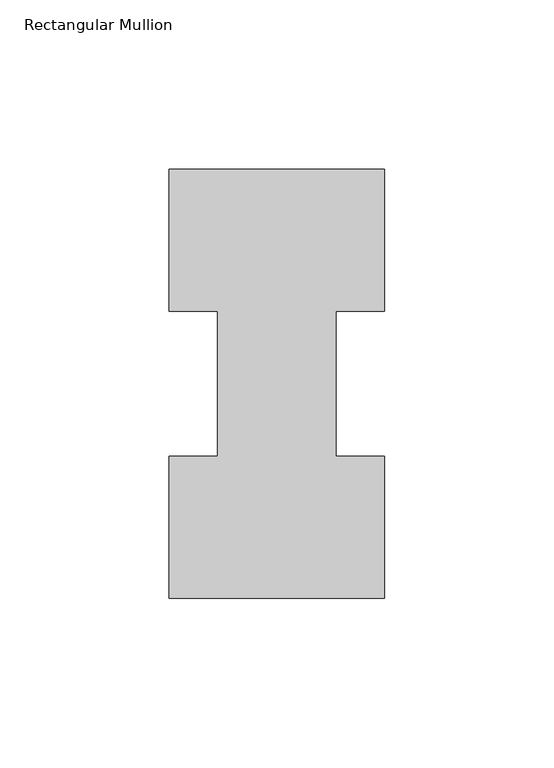
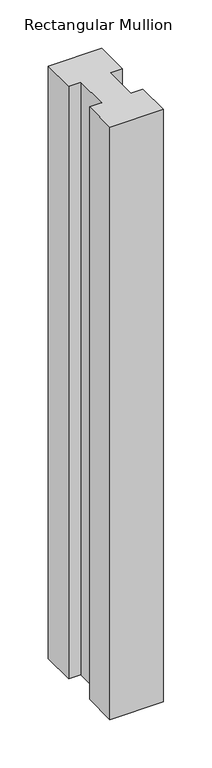
"""IFC4 building model written with IfcOpenShell, lengths in millimetres: member geometry, Rectangular Mullion."""

from ifc_helpers import new_model, si_unit, frame, origin, place, context, project, spatial, polyline, outline, extrude, source, transform, mapped, element, save


def rectangular_mullion_77541444(model_context):
    return source(origin(), model_context, "Body", "SweptSolid", [
        extrude(outline(polyline([(-63.5, -0.0373063), (-63.5, 41.7837937), (-49.2125, 41.7837937), (-49.2125, 84.6335938), (-63.5, 84.6335938), (-63.5, 126.4546937), (0.0, 126.4546937), (0.0, 84.6335938), (-14.2748, 84.6335938), (-14.2748, 41.7837937), (0.0, 41.7837937), (0.0, -0.0373063), (-63.5, -0.0373063)])), frame((0.0, 0.0, -746.1247287), z_axis=(0.0, 0.0, 1.0), x_axis=(1.0, 0.0, 0.0)), (0.0, 0.0, 1.0), 746.1247287),
    ])


if __name__ == "__main__":
    model = new_model("IFC4")
    model_context = context("Model", 3, world=origin())
    ifc_project = project(units=[si_unit("LENGTHUNIT", "METRE", prefix="MILLI")], contexts=[model_context])
    site = spatial("IfcSite", under=ifc_project)
    building = spatial("IfcBuilding", under=site)
    placement = place(None, origin())
    rectangular_mullion_shape = rectangular_mullion_77541444(model_context)
    element("IfcMember", 1, ObjectType="Rectangular Mullion", at=placement, inside=building, context=model_context, shape_type="MappedRepresentation", body=[
        mapped(rectangular_mullion_shape, transform((0.0, 0.0, 0.0), x_axis=(1.0, 0.0, 0.0), y_axis=(0.0, 1.0, 0.0), z_axis=(0.0, 0.0, 1.0))),
    ])
    save(model, "model.ifc")
